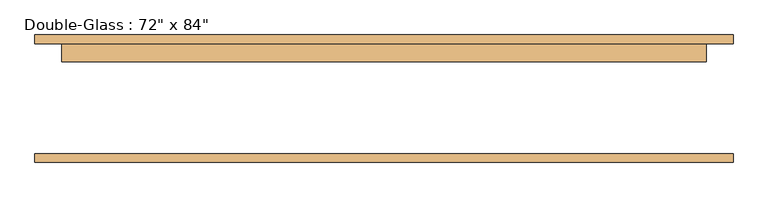
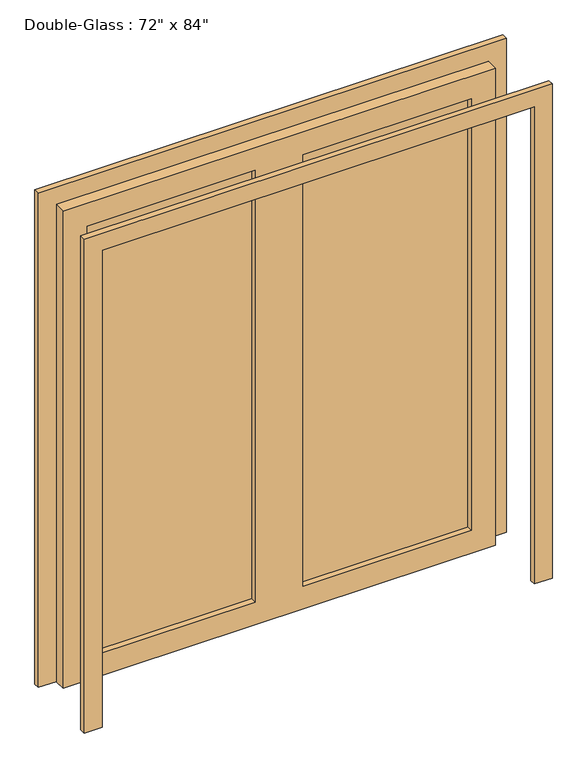
"""IFC4 building model written with IfcOpenShell, lengths in millimetres: door geometry."""

from ifc_helpers import new_model, si_unit, frame, origin, place, context, project, spatial, polyline, outline, extrude, source, transform, mapped, element, save


def door_7fae5ca6(model_context):
    return source(origin(), model_context, "Body", "SweptSolid", [
        extrude(outline(polyline([(0.0, 990.6), (2209.8, 990.6), (2209.8, -990.6), (0.0, -990.6), (0.0, -914.4), (2133.6, -914.4), (2133.6, 914.4), (0.0, 914.4), (0.0, 990.6)])), frame((0.0, -178.59375, 0.0), z_axis=(0.0, 1.0, 0.0), x_axis=(0.0, 0.0, 1.0)), (0.0, 0.0, 1.0), 25.4),
        extrude(outline(polyline([(2133.6, 914.4), (0.0, 914.4), (0.0, 990.6), (2209.8, 990.6), (2209.8, -990.6), (0.0, -990.6), (0.0, -914.4), (2133.6, -914.4), (2133.6, 914.4)])), frame((0.0, 157.95625, 0.0), z_axis=(0.0, 1.0, 0.0), x_axis=(0.0, 0.0, 1.0)), (0.0, 0.0, 1.0), 25.4),
        extrude(outline(polyline([(812.8, 132.55625), (101.6, 132.55625), (101.6, 139.7), (812.8, 139.7), (812.8, 132.55625)])), frame((0.0, 0.0, 101.6), z_axis=(0.0, 0.0, 1.0), x_axis=(1.0, 0.0, 0.0)), (0.0, 0.0, 1.0), 1930.4),
        extrude(outline(polyline([(-101.6, 132.55625), (-812.8, 132.55625), (-812.8, 139.7), (-101.6, 139.7), (-101.6, 132.55625)])), frame((0.0, 0.0, 101.6), z_axis=(0.0, 0.0, 1.0), x_axis=(1.0, 0.0, 0.0)), (0.0, 0.0, 1.0), 1930.4),
        extrude(outline(polyline([(2133.6, 914.4), (2133.6, -914.4), (0.0, -914.4), (0.0, 914.4), (2133.6, 914.4)]), holes=[polyline([(2032.0, -101.6), (101.6, -101.6), (101.6, -812.8), (2032.0, -812.8), (2032.0, -101.6)]), polyline([(2032.0, 812.8), (101.6, 812.8), (101.6, 101.6), (2032.0, 101.6), (2032.0, 812.8)])]), frame((0.0, 107.15625, 0.0), z_axis=(0.0, 1.0, 0.0), x_axis=(0.0, 0.0, 1.0)), (0.0, 0.0, 1.0), 50.8),
    ])


if __name__ == "__main__":
    model = new_model("IFC4")
    model_context = context("Model", 3, world=origin())
    ifc_project = project(units=[si_unit("LENGTHUNIT", "METRE", prefix="MILLI")], contexts=[model_context])
    site = spatial("IfcSite", under=ifc_project)
    building = spatial("IfcBuilding", under=site)
    placement = place(None, origin())
    door_shape = door_7fae5ca6(model_context)
    element("IfcDoor", 1, ObjectType="Double-Glass : 72\" x 84\"", at=placement, inside=building, context=model_context, shape_type="MappedRepresentation", body=[
        mapped(door_shape, transform((0.0, 0.0, 0.0), x_axis=(1.0, 0.0, 0.0), y_axis=(0.0, 1.0, 0.0), z_axis=(0.0, 0.0, 1.0))),
    ])
    save(model, "model.ifc")
